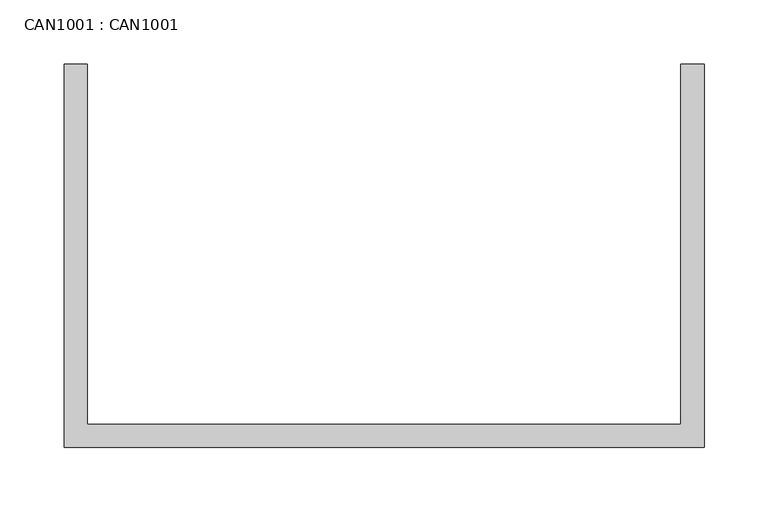
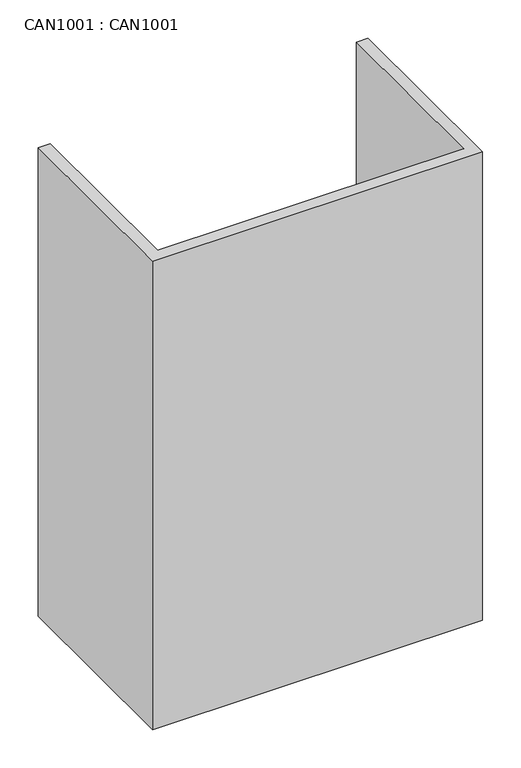
"""IFC4 building model written with IfcOpenShell, lengths in millimetres: proxy geometry, CAN1001 : CAN1001."""

from ifc_helpers import new_model, si_unit, origin, origin_with_axes, place, context, project, spatial, polyline, outline, extrude, source, transform, mapped, element, save


def can1001_can1001_dd4bdc48(model_context):
    return source(origin(), model_context, "Body", "SweptSolid", [
        extrude(outline(polyline([(9.0, 0.0), (9.0, -282.0), (473.0, -282.0), (473.0, 0.0), (491.0, 0.0), (491.0, -300.0), (-9.0, -300.0), (-9.0, 0.0), (9.0, 0.0)])), origin_with_axes(), (0.0, 0.0, 1.0), 750.0),
    ])


if __name__ == "__main__":
    model = new_model("IFC4")
    model_context = context("Model", 3, world=origin())
    ifc_project = project(units=[si_unit("LENGTHUNIT", "METRE", prefix="MILLI")], contexts=[model_context])
    site = spatial("IfcSite", under=ifc_project)
    building = spatial("IfcBuilding", under=site)
    placement = place(None, origin())
    can1001_can1001_shape = can1001_can1001_dd4bdc48(model_context)
    element("IfcBuildingElementProxy", 1, Name="CAN1001 : CAN1001", ObjectType="CAN1001 : CAN1001", at=placement, inside=building, context=model_context, shape_type="MappedRepresentation", body=[
        mapped(can1001_can1001_shape, transform((0.0, 0.0, 0.0), x_axis=(1.0, 0.0, 0.0), y_axis=(0.0, 1.0, 0.0), z_axis=(0.0, 0.0, 1.0))),
    ])
    save(model, "model.ifc")
